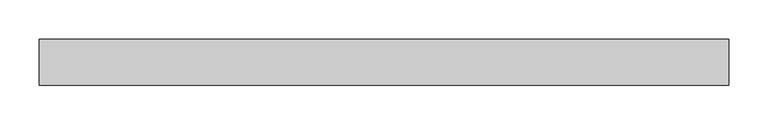
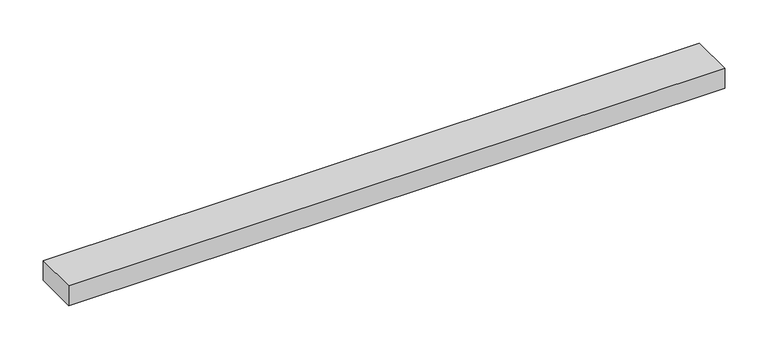
"""IFC4 building model written with IfcOpenShell, lengths in millimetres: proxy geometry."""

from ifc_helpers import new_model, si_unit, frame, origin, place, context, project, spatial, polyline, outline, extrude, source, transform, mapped, element, save


def specialty_equipment_75af08e1(model_context):
    return source(origin(), model_context, "Body", "SweptSolid", [
        extrude(outline(polyline([(-437.3111163, -29.2199219), (-437.3111163, 29.2199219), (437.3111163, 29.2199219), (437.3111163, -29.2199219), (-437.3111163, -29.2199219)])), frame((0.0, 0.0, -13.9898438), z_axis=(0.0, 0.0, 1.0), x_axis=(1.0, 0.0, 0.0)), (0.0, 0.0, 1.0), 27.9796875),
    ])


if __name__ == "__main__":
    model = new_model("IFC4")
    model_context = context("Model", 3, world=origin())
    ifc_project = project(units=[si_unit("LENGTHUNIT", "METRE", prefix="MILLI")], contexts=[model_context])
    site = spatial("IfcSite", under=ifc_project)
    building = spatial("IfcBuilding", under=site)
    placement = place(None, origin())
    specialty_equipment_shape = specialty_equipment_75af08e1(model_context)
    element("IfcBuildingElementProxy", 1, Name="Specialty Equipment", at=placement, inside=building, context=model_context, shape_type="MappedRepresentation", body=[
        mapped(specialty_equipment_shape, transform((0.0, 0.0, 0.0), x_axis=(1.0, 0.0, 0.0), y_axis=(0.0, 1.0, 0.0), z_axis=(0.0, 0.0, 1.0))),
    ])
    save(model, "model.ifc")
